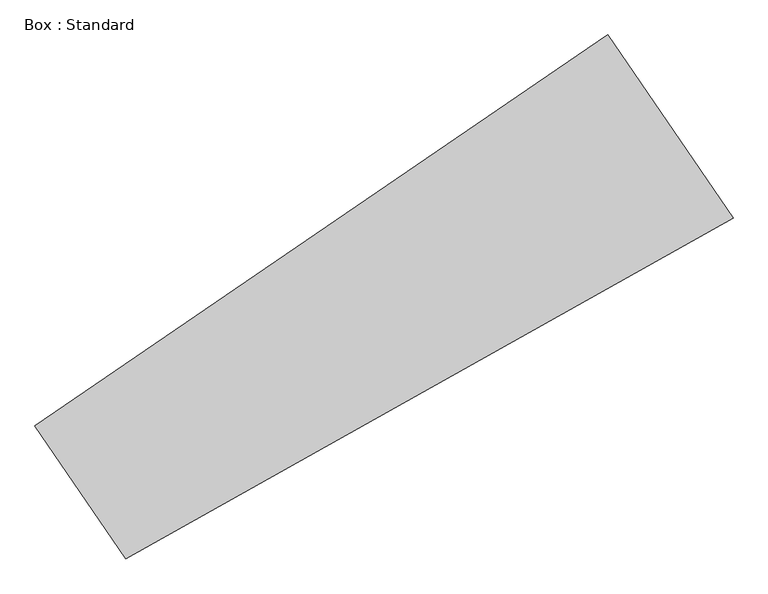
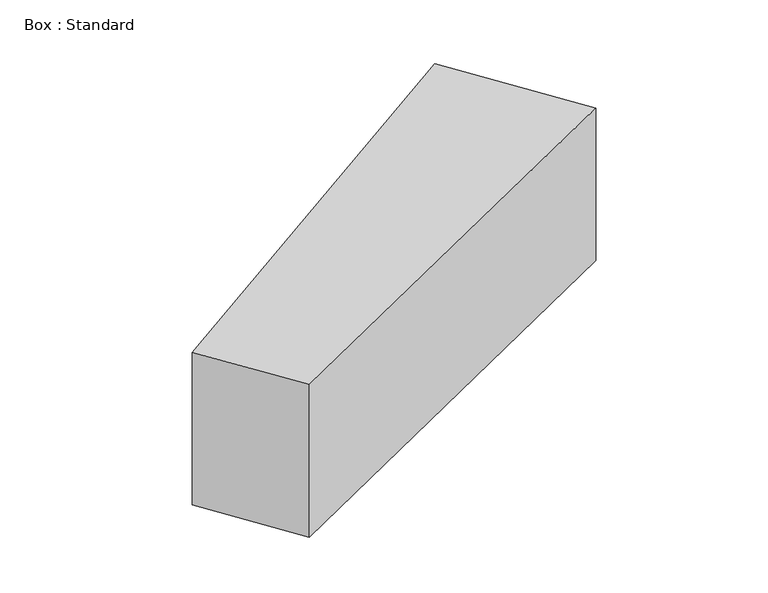
"""IFC4 building model written with IfcOpenShell, lengths in millimetres: plate geometry, Box : Standard."""

from ifc_helpers import new_model, si_unit, frame, origin, place, context, project, spatial, polyline, outline, extrude, source, transform, mapped, element, save


def box_standard_2fba8608(model_context):
    return source(origin(), model_context, "Body", "SweptSolid", [
        extrude(outline(polyline([(3256.0461481, 3256.0461481), (2776.6774518, 3958.2565086), (5797.506928, 6020.4463727), (6457.769472, 5053.2509705), (3256.0461481, 3256.0461481)])), frame((0.0, 0.0, -1219.2), z_axis=(0.0, 0.0, 1.0), x_axis=(1.0, 0.0, 0.0)), (0.0, 0.0, 1.0), 1219.2),
    ])


if __name__ == "__main__":
    model = new_model("IFC4")
    model_context = context("Model", 3, world=origin())
    ifc_project = project(units=[si_unit("LENGTHUNIT", "METRE", prefix="MILLI")], contexts=[model_context])
    site = spatial("IfcSite", under=ifc_project)
    building = spatial("IfcBuilding", under=site)
    placement = place(None, origin())
    box_standard_shape = box_standard_2fba8608(model_context)
    element("IfcPlate", 1, ObjectType="Box : Standard", at=placement, inside=building, context=model_context, shape_type="MappedRepresentation", body=[
        mapped(box_standard_shape, transform((0.0, 0.0, 0.0), x_axis=(1.0, 0.0, 0.0), y_axis=(0.0, 1.0, 0.0), z_axis=(0.0, 0.0, 1.0))),
    ])
    save(model, "model.ifc")
